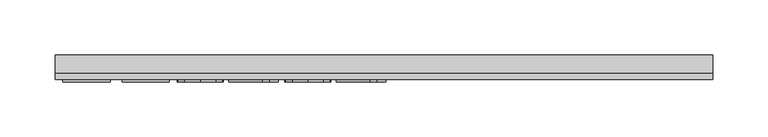
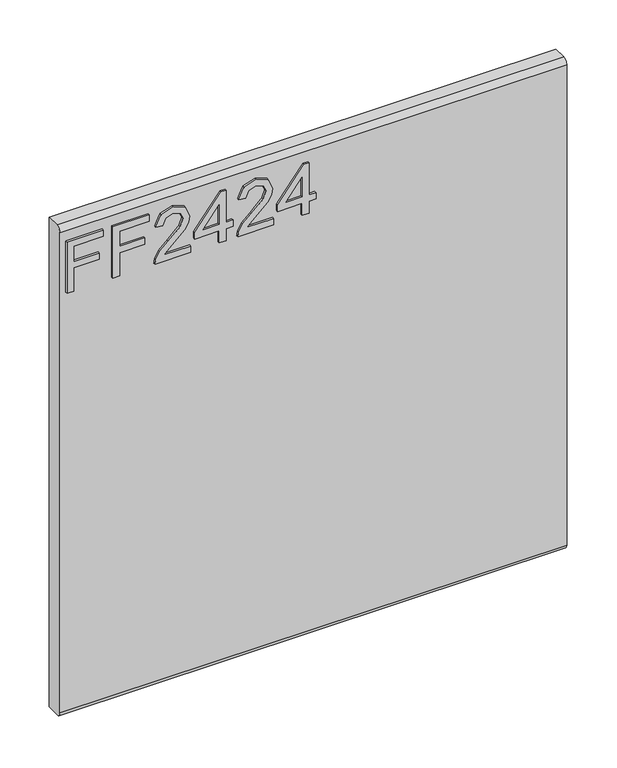
"""IFC4 building model written with IfcOpenShell, lengths in millimetres: furniture geometry."""

import ifcopenshell
import ifcopenshell.guid

model = None  # the IFC model being written
_history = None  # IfcOwnerHistory: only IFC2X3 demands one
_inside = {}  # id of a spatial element -> (the spatial element, [elements in it])
_under = {}  # id of a project, library or spatial element -> (it, [spatial elements below it])
_declared = {}  # id of a project -> (the project, [libraries it declares])
_typed = {}  # id of a type object -> (the type object, [elements of that type])
_made_of = {}  # id of a material, layer set ... -> (it, [elements and type objects made of it])


def new_model(schema):
    """Start an empty IFC model of exactly this schema.

    Asked for "IFC4X3", IfcOpenShell would pick the latest addendum, in which some entities
    have other attributes; the version numbers below select the first issue.
    IFC2X3 requires an IfcOwnerHistory on every rooted entity: one is made here for all.
    """
    global model, _history
    if schema == "IFC4X3":
        model = ifcopenshell.file(schema_version=(4, 3, 0, 0))
    else:
        model = ifcopenshell.file(schema=schema)
    _inside.clear()
    _under.clear()
    _declared.clear()
    _typed.clear()
    _made_of.clear()
    _history = None
    if model.schema == "IFC2X3":
        org = make("IfcOrganization", Name="unknown")
        user = make(
            "IfcPersonAndOrganization",
            ThePerson=make("IfcPerson", FamilyName="unknown"),
            TheOrganization=org,
        )
        app = make(
            "IfcApplication",
            ApplicationDeveloper=org,
            Version="unknown",
            ApplicationFullName="unknown",
            ApplicationIdentifier="unknown",
        )
        _history = make(
            "IfcOwnerHistory",
            OwningUser=user,
            OwningApplication=app,
            ChangeAction="ADDED",
            CreationDate=0,
        )
    return model


def make(cls, **values):
    """One entity of the class cls with the attributes given. An attribute that is None is left unset."""
    return model.create_entity(
        cls, **{name: value for name, value in values.items() if value is not None}
    )


def rooted(cls, **values):
    """An entity with a GlobalId (a new one), such as an element, a storey or a relation."""
    return make(cls, GlobalId=ifcopenshell.guid.new(), OwnerHistory=_history, **values)


def si_unit(unit_type, name, prefix=None):
    """IfcSIUnit, for example si_unit("LENGTHUNIT", "METRE", prefix="MILLI")."""
    return make("IfcSIUnit", UnitType=unit_type, Prefix=prefix, Name=name)


def assignment(units):
    """IfcUnitAssignment: the units of a project."""
    return None if units is None else make("IfcUnitAssignment", Units=units)


def point(xyz):
    """IfcCartesianPoint."""
    return None if xyz is None else make("IfcCartesianPoint", Coordinates=xyz)


def direction(xyz):
    """IfcDirection."""
    return None if xyz is None else make("IfcDirection", DirectionRatios=xyz)


def frame(location, z_axis=None, x_axis=None):
    """IfcAxis2Placement3D, a coordinate frame: its origin and axes. An axis left out is left unset."""
    return make(
        "IfcAxis2Placement3D",
        Location=point(location),
        Axis=direction(z_axis),
        RefDirection=direction(x_axis),
    )


def origin():
    """The frame at (0, 0, 0) with its axes left unset."""
    return frame((0.0, 0.0, 0.0))


def place(relative_to, where):
    """IfcLocalPlacement: puts the frame where relative to a parent placement (None: the world)."""
    return make(
        "IfcLocalPlacement", PlacementRelTo=relative_to, RelativePlacement=where
    )


def context(
    kind, dimensions, precision=None, world=None, true_north=None, identifier=None
):
    """IfcGeometricRepresentationContext, for example the 3D "Model" context."""
    return make(
        "IfcGeometricRepresentationContext",
        ContextIdentifier=identifier,
        ContextType=kind,
        CoordinateSpaceDimension=dimensions,
        Precision=precision,
        WorldCoordinateSystem=world,
        TrueNorth=true_north,
    )


def project(units=None, contexts=None):
    """IfcProject with its units and contexts."""
    return rooted(
        "IfcProject",
        Name="project",
        RepresentationContexts=contexts,
        UnitsInContext=assignment(units),
    )


def spatial(cls, under=None, at=None, **own):
    """A site, building, storey or space (cls), placed at a placement, below another one or the project."""
    s = rooted(cls, ObjectPlacement=at, **own)
    if under is not None:
        _under.setdefault(under.id(), (under, []))[1].append(s)
    return s


def polyline(points):
    """IfcPolyline through the points."""
    return make("IfcPolyline", Points=[point(p) for p in points])


def circle_curve(where, radius):
    """IfcCircle in the frame where."""
    return make("IfcCircle", Position=where, Radius=radius)


def outline(outer, holes=None, kind="AREA"):
    """IfcArbitraryClosedProfileDef: a profile drawn as a closed curve; with holes, ...WithVoids."""
    if holes is None:
        return make("IfcArbitraryClosedProfileDef", ProfileType=kind, OuterCurve=outer)
    return make(
        "IfcArbitraryProfileDefWithVoids",
        ProfileType=kind,
        OuterCurve=outer,
        InnerCurves=holes,
    )


def extrude(swept, where, along, depth):
    """IfcExtrudedAreaSolid: the profile swept, set in the frame where, extruded along a direction by depth."""
    return make(
        "IfcExtrudedAreaSolid",
        SweptArea=swept,
        Position=where,
        ExtrudedDirection=direction(along),
        Depth=depth,
    )


def shape(context_of_items, identifier, shape_type, items):
    """IfcShapeRepresentation: the items that make up one representation, for example the "Body"."""
    return make(
        "IfcShapeRepresentation",
        ContextOfItems=context_of_items,
        RepresentationIdentifier=identifier,
        RepresentationType=shape_type,
        Items=items,
    )


def source(mapping_origin, context_of_items, identifier, shape_type, items):
    """IfcRepresentationMap: a shape defined once, which mapped items show again and again."""
    return make(
        "IfcRepresentationMap",
        MappingOrigin=mapping_origin,
        MappedRepresentation=shape(context_of_items, identifier, shape_type, items),
    )


def transform(
    local_origin,
    x_axis=None,
    y_axis=None,
    z_axis=None,
    scale=None,
    scale2=None,
    scale3=None,
    uniform=True,
):
    """IfcCartesianTransformationOperator3D, or its non-uniform kind. x_axis, y_axis, z_axis: its Axis1, 2, 3."""
    if uniform:
        return make(
            "IfcCartesianTransformationOperator3D",
            Axis1=direction(x_axis),
            Axis2=direction(y_axis),
            LocalOrigin=point(local_origin),
            Scale=scale,
            Axis3=direction(z_axis),
        )
    return make(
        "IfcCartesianTransformationOperator3DnonUniform",
        Axis1=direction(x_axis),
        Axis2=direction(y_axis),
        LocalOrigin=point(local_origin),
        Scale=scale,
        Axis3=direction(z_axis),
        Scale2=scale2,
        Scale3=scale3,
    )


def mapped(mapping_source, mapping_target):
    """IfcMappedItem: shows the shape of a source again, moved by a transform."""
    return make(
        "IfcMappedItem", MappingSource=mapping_source, MappingTarget=mapping_target
    )


def made_of(thing, what):
    """Note that an element or type object is made of a material, layer set ...; save() writes the relation."""
    if what is not None:
        _made_of.setdefault(what.id(), (what, []))[1].append(thing)
    return thing


def element(
    cls,
    number,
    at=None,
    inside=None,
    cuts=None,
    type_object=None,
    material=None,
    context=None,
    identifier="Body",
    shape_type=None,
    held_by="IfcProductDefinitionShape",
    body=None,
    shapes=None,
    **own,
):
    """One element of the class cls, such as IfcWall. Its Tag is "e" and its number.

    at: its placement. inside: the storey or other place that contains it. cuts: it is an
    opening in that element (IfcRelVoidsElement). A single representation is given by context,
    identifier, shape_type and body (its items); several are given by shapes. held_by: the class
    of the entity that holds the representations. save() writes the other relations.
    """
    e = rooted(cls, Tag="e%d" % number, ObjectPlacement=at, **own)
    if body is not None:
        shapes = [shape(context, identifier, shape_type, body)]
    if shapes is not None:
        e.Representation = make(held_by, Representations=shapes)
    if inside is not None:
        _inside.setdefault(inside.id(), (inside, []))[1].append(e)
    if cuts is not None:
        rooted(
            "IfcRelVoidsElement", RelatingBuildingElement=cuts, RelatedOpeningElement=e
        )
    if type_object is not None:
        _typed.setdefault(type_object.id(), (type_object, []))[1].append(e)
    return made_of(e, material)


def aggregate(whole, parts):
    """IfcRelAggregates: a whole, such as a stair, and the parts it consists of."""
    return rooted("IfcRelAggregates", RelatingObject=whole, RelatedObjects=parts)


def save(model, path):
    """Write the relations noted so far, then the file.

    IfcRelAggregates (storeys below a building ...), IfcRelContainedInSpatialStructure (elements
    in a storey), IfcRelDefinesByType, IfcRelAssociatesMaterial and IfcRelDeclares: one each for
    every whole, place, type object, material and project.
    """
    for whole, parts in _under.values():
        aggregate(whole, parts)
    for where, things in _inside.values():
        rooted(
            "IfcRelContainedInSpatialStructure",
            RelatedElements=things,
            RelatingStructure=where,
        )
    for kind, things in _typed.values():
        rooted("IfcRelDefinesByType", RelatedObjects=things, RelatingType=kind)
    for what, things in _made_of.values():
        rooted("IfcRelAssociatesMaterial", RelatedObjects=things, RelatingMaterial=what)
    for by, libraries in _declared.values():
        rooted("IfcRelDeclares", RelatingContext=by, RelatedDefinitions=libraries)
    model.write(path)


def plane_surface(at):
    """IfcPlane: the flat surface through the origin of the frame at, square to its z axis."""
    return make("IfcPlane", Position=at)


def cylinder_surface(at, radius):
    """IfcCylindricalSurface: all points at the distance radius from the z axis of the frame at."""
    return make("IfcCylindricalSurface", Position=at, Radius=radius)


def advanced_brep(points, edges, surfaces, faces):
    """IfcAdvancedBrep: a solid bounded by faces that lie on surfaces and meet in shared edges.

    An edge is (start, end): straight between two places in points (the first is 0);
    or (start, end, curve); or (start, end, curve, False) where it runs against its curve.
    A face is (place in surfaces, loops), or (place, loops, False) where it looks against
    its surface's normal. A loop lists edges by number (the first is 1), with a minus sign
    where the edge is run from its end to its start. The first loop is the outer one.
    """
    corners = [point(p) for p in points]
    vertices = [make("IfcVertexPoint", VertexGeometry=c) for c in corners]
    made = []
    for start, end, *more in edges:
        made.append(
            make(
                "IfcEdgeCurve",
                EdgeStart=vertices[start],
                EdgeEnd=vertices[end],
                EdgeGeometry=more[0] if more else make("IfcPolyline", Points=[corners[start], corners[end]]),
                SameSense=more[1] if len(more) > 1 else True,
            )
        )
    hull = []
    for where, loops, *sense in faces:
        bounds = []
        for j, loop in enumerate(loops):
            ring = [make("IfcOrientedEdge", EdgeElement=made[abs(k) - 1], Orientation=k > 0) for k in loop]
            bounds.append(
                make(
                    "IfcFaceOuterBound" if j == 0 else "IfcFaceBound",
                    Bound=make("IfcEdgeLoop", EdgeList=ring),
                    Orientation=True,
                )
            )
        hull.append(make("IfcAdvancedFace", Bounds=bounds, FaceSurface=surfaces[where], SameSense=sense[0] if sense else True))
    return make("IfcAdvancedBrep", Outer=make("IfcClosedShell", CfsFaces=hull))


def furniture_12ee0005(model_context):
    return source(origin(), model_context, "Body", "SolidModel", [
        extrude(outline(polyline([(679.45, -291.4729953), (679.45, -283.4992757), (708.3547336, -283.4992757), (708.3547336, -253.5978271), (716.3284532, -253.5978271), (716.3284532, -283.4992757), (735.2660373, -283.4992757), (735.2660373, -248.6142524), (743.2397569, -248.6142524), (743.2397569, -291.4729953), (679.45, -291.4729953)])), frame((0.0, -15.0812439, 0.0), z_axis=(0.0, 1.0, 0.0), x_axis=(0.0, 0.0, 1.0)), (0.0, 0.0, 1.0), 2.38125),
        extrude(outline(polyline([(679.45, -237.6503879), (679.45, -229.6766683), (708.3547336, -229.6766683), (708.3547336, -199.7752197), (716.3284532, -199.7752197), (716.3284532, -229.6766683), (735.2660373, -229.6766683), (735.2660373, -194.791645), (743.2397569, -194.791645), (743.2397569, -237.6503879), (679.45, -237.6503879)])), frame((0.0, -15.0812439, 0.0), z_axis=(0.0, 1.0, 0.0), x_axis=(0.0, 0.0, 1.0)), (0.0, 0.0, 1.0), 2.38125),
        extrude(outline(polyline([(687.4237196, -145.9526123), (687.4237196, -177.2712649), (691.4806609, -173.6737469), (699.150694, -164.5008546), (710.0756243, -153.0775668), (717.8936072, -148.3665313), (725.4546245, -146.9493273), (738.1315928, -152.2054413), (743.2397569, -166.4787109), (738.645524, -180.7052594), (725.2988878, -186.8179253), (724.3021729, -178.8442057), (732.3537608, -175.4880796), (735.2660373, -166.6500212), (732.2836793, -158.1701573), (724.9718407, -154.9230469), (715.9391115, -158.3648282), (702.65477, -172.1319535), (693.4117962, -182.1146767), (684.9475059, -186.9580884), (679.45, -187.8146403), (679.45, -145.9526123), (687.4237196, -145.9526123)])), frame((0.0, -15.0812439, 0.0), z_axis=(0.0, 1.0, 0.0), x_axis=(0.0, 0.0, 1.0)), (0.0, 0.0, 1.0), 2.38125),
        extrude(outline(polyline([(679.45, -112.0643039), (679.45, -104.0905843), (694.4007243, -104.0905843), (694.4007243, -96.1168647), (702.3744439, -96.1168647), (702.3744439, -104.0905843), (742.243042, -104.0905843), (742.243042, -110.070874), (702.3744439, -140.9690375), (694.4007243, -140.9690375), (694.4007243, -112.0643039), (679.45, -112.0643039)]), holes=[polyline([(702.3744439, -112.0643039), (702.3744439, -131.1576247), (727.0119916, -112.0643039), (702.3744439, -112.0643039)])]), frame((0.0, -15.0812439, 0.0), z_axis=(0.0, 1.0, 0.0), x_axis=(0.0, 0.0, 1.0)), (0.0, 0.0, 1.0), 2.38125),
        extrude(outline(polyline([(687.4237196, -48.274547), (687.4237196, -79.5931996), (691.4806609, -75.9956816), (699.150694, -66.8227893), (710.0756243, -55.3995015), (717.8936072, -50.688466), (725.4546245, -49.2712619), (738.1315928, -54.5273759), (743.2397569, -68.8006455), (738.645524, -83.0271941), (725.2988878, -89.13986), (724.3021729, -81.1661404), (732.3537608, -77.8100143), (735.2660373, -68.9719559), (732.2836793, -60.492092), (724.9718407, -57.2449816), (715.9391115, -60.6867629), (702.65477, -74.4538881), (693.4117962, -84.4366113), (684.9475059, -89.2800231), (679.45, -90.136575), (679.45, -48.274547), (687.4237196, -48.274547)])), frame((0.0, -15.0812439, 0.0), z_axis=(0.0, 1.0, 0.0), x_axis=(0.0, 0.0, 1.0)), (0.0, 0.0, 1.0), 2.38125),
        extrude(outline(polyline([(679.45, -14.3862386), (679.45, -6.412519), (694.4007243, -6.412519), (694.4007243, 1.5612006), (702.3744439, 1.5612006), (702.3744439, -6.412519), (742.243042, -6.412519), (742.243042, -12.3928087), (702.3744439, -43.2909722), (694.4007243, -43.2909722), (694.4007243, -14.3862386), (679.45, -14.3862386)]), holes=[polyline([(702.3744439, -14.3862386), (702.3744439, -33.4795594), (727.0119916, -14.3862386), (702.3744439, -14.3862386)])]), frame((0.0, -15.0812439, 0.0), z_axis=(0.0, 1.0, 0.0), x_axis=(0.0, 0.0, 1.0)), (0.0, 0.0, 1.0), 2.38125),
        advanced_brep(
        [(298.45, 9.5250061, 762.0), (298.45, -6.7309939, 762.0), (298.45, -12.6999939, 756.031), (298.45, -12.6999939, 158.369), (298.45, -6.7309939, 152.4), (298.45, 9.5250061, 152.4), (-298.45, 9.5250061, 762.0), (-298.45, 9.5250061, 152.4), (-298.45, -6.7309939, 152.4), (-298.45, -12.6999939, 158.369), (-298.45, -12.6999939, 756.0310121), (-298.45, -6.7309939, 762.0)],
        [
            (0, 1),
            (1, 2, circle_curve(frame((298.45, -6.7309939, 756.031), z_axis=(1.0, 0.0, 0.0), x_axis=(0.0, 1.0, 0.0)), 5.969)),
            (2, 3),
            (3, 4, circle_curve(frame((298.45, -6.7309939, 158.369), z_axis=(1.0, 0.0, 0.0), x_axis=(0.0, 1.0, 0.0)), 5.969)),
            (4, 5),
            (5, 0),
            (6, 7),
            (7, 8),
            (8, 9, circle_curve(frame((-298.45, -6.7309939, 158.369), z_axis=(-1.0, 0.0, 0.0), x_axis=(0.0, 1.0, 0.0)), 5.969)),
            (9, 10),
            (10, 11, circle_curve(frame((-298.45, -6.7309939, 756.031), z_axis=(-1.0, 0.0, 0.0), x_axis=(0.0, 1.0, 0.0)), 5.969)),
            (11, 6),
            (0, 6),
            (11, 1),
            (10, 2),
            (9, 3),
            (8, 4),
            (7, 5),
        ],
        [
            plane_surface(frame((298.45, -6.7309939, 762.0), z_axis=(1.0, 0.0, 0.0), x_axis=(0.0, -1.0, 0.0))),
            plane_surface(frame((-298.45, -6.7309939, 762.0), z_axis=(-1.0, 0.0, 0.0), x_axis=(0.0, 1.0, 0.0))),
            plane_surface(frame((298.45, 9.5250061, 762.0), z_axis=(0.0, 0.0, 1.0), x_axis=(-1.0, 0.0, 0.0))),
            cylinder_surface(frame((-298.45, -6.7309939, 756.031), z_axis=(1.0, 0.0, 0.0), x_axis=(0.0, 1.0, 0.0)), 5.969),
            plane_surface(frame((298.45, -12.6999939, 756.0310121), z_axis=(0.0, -1.0, 0.0), x_axis=(-1.0, 0.0, 0.0))),
            cylinder_surface(frame((-298.45, -6.7309939, 158.369), z_axis=(1.0, 0.0, 0.0), x_axis=(0.0, 1.0, 0.0)), 5.969),
            plane_surface(frame((298.45, -6.7309939, 152.4), z_axis=(0.0, 0.0, -1.0), x_axis=(-1.0, 0.0, 0.0))),
            plane_surface(frame((298.45, 9.5250061, 152.4), z_axis=(0.0, 1.0, 0.0), x_axis=(-1.0, 0.0, 0.0))),
        ],
        [
            (0, [[1, 2, 3, 4, 5, 6]]),
            (1, [[7, 8, 9, 10, 11, 12]]),
            (2, [[-1, 13, -12, 14]]),
            (3, [[-2, -14, -11, 15]]),
            (4, [[-3, -15, -10, 16]]),
            (5, [[-4, -16, -9, 17]]),
            (6, [[-5, -17, -8, 18]]),
            (7, [[-6, -18, -7, -13]]),
        ],
    ),
    ])


if __name__ == "__main__":
    model = new_model("IFC4")
    model_context = context("Model", 3, world=origin())
    ifc_project = project(units=[si_unit("LENGTHUNIT", "METRE", prefix="MILLI")], contexts=[model_context])
    site = spatial("IfcSite", under=ifc_project)
    building = spatial("IfcBuilding", under=site)
    placement = place(None, origin())
    furniture_shape = furniture_12ee0005(model_context)
    element("IfcFurniture", 1, at=placement, inside=building, context=model_context, shape_type="MappedRepresentation", body=[
        mapped(furniture_shape, transform((0.0, 0.0, 0.0), x_axis=(1.0, 0.0, 0.0), y_axis=(0.0, 1.0, 0.0), z_axis=(0.0, 0.0, 1.0))),
    ])
    save(model, "model.ifc")
